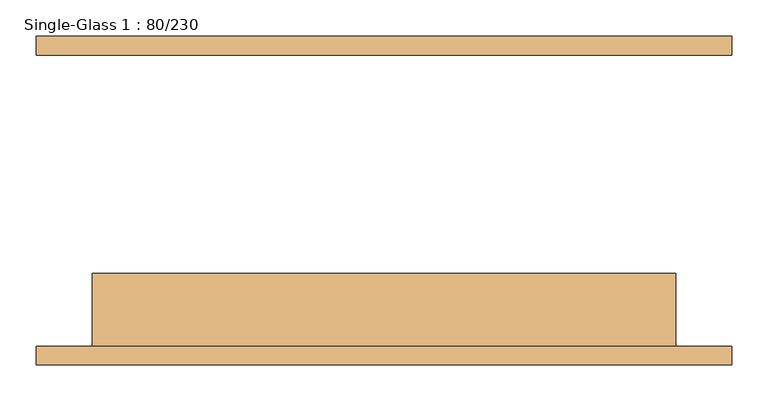
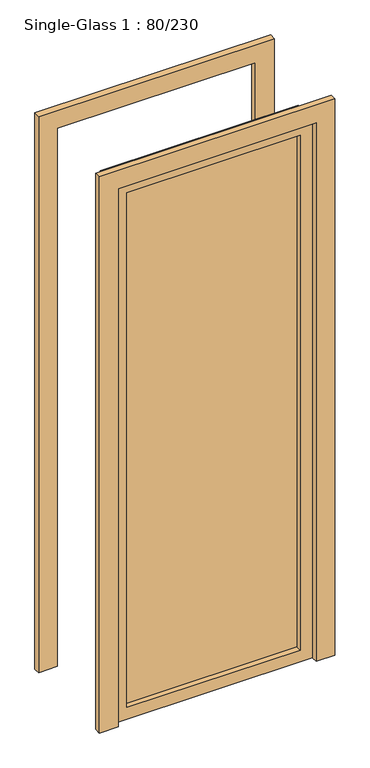
"""IFC4 building model written with IfcOpenShell, lengths in millimetres: door geometry, Single-Glass 1 : 80/230."""

from ifc_helpers import new_model, si_unit, frame, origin, place, context, project, spatial, polyline, outline, extrude, source, transform, mapped, element, save


def single_glass_1_80_230_e0f8d8a6(model_context):
    return source(origin(), model_context, "Body", "SweptSolid", [
        extrude(outline(polyline([(2300.0, 400.0), (0.0, 400.0), (0.0, 476.2), (2376.2, 476.2), (2376.2, -476.2), (0.0, -476.2), (0.0, -400.0), (2300.0, -400.0), (2300.0, 400.0)])), frame((0.0, 200.0, 0.0), z_axis=(0.0, 1.0, 0.0), x_axis=(0.0, 0.0, 1.0)), (0.0, 0.0, 1.0), 25.4),
        extrude(outline(polyline([(2300.0, 400.0), (0.0, 400.0), (0.0, 476.2), (2376.2, 476.2), (2376.2, -476.2), (0.0, -476.2), (0.0, -400.0), (2300.0, -400.0), (2300.0, 400.0)])), frame((0.0, -225.4, 0.0), z_axis=(0.0, 1.0, 0.0), x_axis=(0.0, 0.0, 1.0)), (0.0, 0.0, 1.0), 25.4),
        extrude(outline(polyline([(350.0, -171.425), (350.0, -177.775), (-350.0, -177.775), (-350.0, -171.425), (350.0, -171.425)])), frame((0.0, 0.0, 50.0), z_axis=(0.0, 0.0, 1.0), x_axis=(1.0, 0.0, 0.0)), (0.0, 0.0, 1.0), 2200.0),
        extrude(outline(polyline([(2300.0, 400.0), (2300.0, -400.0), (0.0, -400.0), (0.0, 400.0), (2300.0, 400.0)]), holes=[polyline([(2250.0, -350.0), (2250.0, 350.0), (50.0, 350.0), (50.0, -350.0), (2250.0, -350.0)])]), frame((0.0, -200.0, 0.0), z_axis=(0.0, 1.0, 0.0), x_axis=(0.0, 0.0, 1.0)), (0.0, 0.0, 1.0), 100.0),
    ])


if __name__ == "__main__":
    model = new_model("IFC4")
    model_context = context("Model", 3, world=origin())
    ifc_project = project(units=[si_unit("LENGTHUNIT", "METRE", prefix="MILLI")], contexts=[model_context])
    site = spatial("IfcSite", under=ifc_project)
    building = spatial("IfcBuilding", under=site)
    placement = place(None, origin())
    single_glass_1_80_230_shape = single_glass_1_80_230_e0f8d8a6(model_context)
    element("IfcDoor", 1, ObjectType="Single-Glass 1 : 80/230", at=placement, inside=building, context=model_context, shape_type="MappedRepresentation", body=[
        mapped(single_glass_1_80_230_shape, transform((0.0, 0.0, 0.0), x_axis=(1.0, 0.0, 0.0), y_axis=(0.0, 1.0, 0.0), z_axis=(0.0, 0.0, 1.0))),
    ])
    save(model, "model.ifc")
